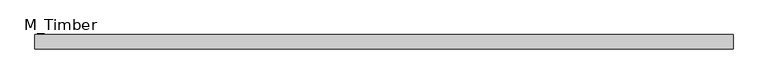
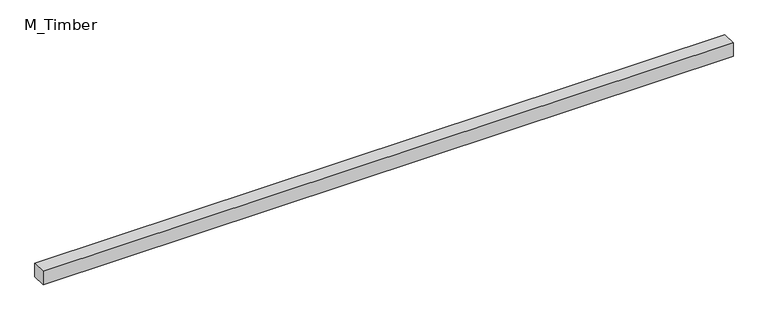
"""IFC4 building model written with IfcOpenShell, lengths in millimetres: beam geometry, M_Timber."""

from ifc_helpers import new_model, si_unit, frame, origin, place, context, project, spatial, polyline, outline, extrude, source, transform, mapped, element, save


def m_timber_ae60a836(model_context):
    return source(origin(), model_context, "Body", "SweptSolid", [
        extrude(outline(polyline([(983.6912574, 20.0), (983.6912574, -20.0), (-983.6912574, -20.0), (-983.6912574, 20.0), (983.6912574, 20.0)])), frame((0.0, 0.0, -20.0), z_axis=(0.0, 0.0, 1.0), x_axis=(1.0, 0.0, 0.0)), (0.0, 0.0, 1.0), 40.0),
    ])


if __name__ == "__main__":
    model = new_model("IFC4")
    model_context = context("Model", 3, world=origin())
    ifc_project = project(units=[si_unit("LENGTHUNIT", "METRE", prefix="MILLI")], contexts=[model_context])
    site = spatial("IfcSite", under=ifc_project)
    building = spatial("IfcBuilding", under=site)
    placement = place(None, origin())
    m_timber_shape = m_timber_ae60a836(model_context)
    element("IfcBeam", 1, ObjectType="M_Timber", at=placement, inside=building, context=model_context, shape_type="MappedRepresentation", body=[
        mapped(m_timber_shape, transform((0.0, 0.0, 0.0), x_axis=(1.0, 0.0, 0.0), y_axis=(0.0, 1.0, 0.0), z_axis=(0.0, 0.0, 1.0))),
    ])
    save(model, "model.ifc")
